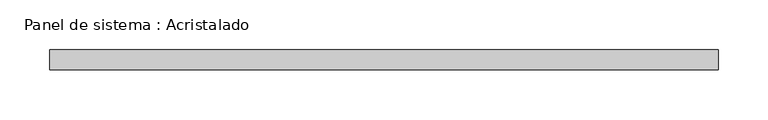
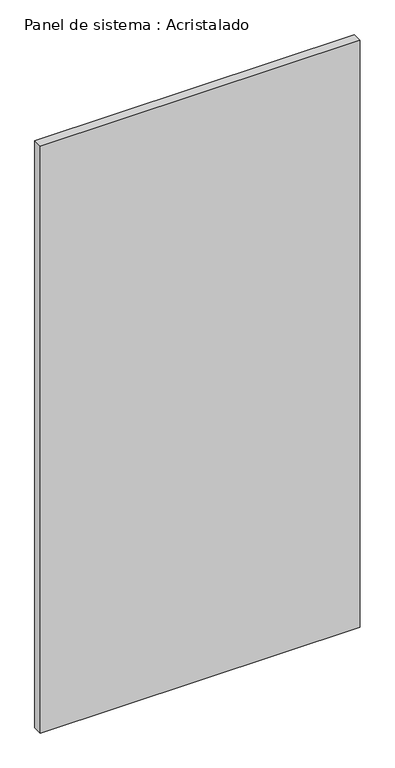
"""IFC4 building model written with IfcOpenShell, lengths in millimetres: plate geometry, Panel de sistema : Acristalado."""

import ifcopenshell
import ifcopenshell.guid

model = None  # the IFC model being written
_history = None  # IfcOwnerHistory: only IFC2X3 demands one
_inside = {}  # id of a spatial element -> (the spatial element, [elements in it])
_under = {}  # id of a project, library or spatial element -> (it, [spatial elements below it])
_declared = {}  # id of a project -> (the project, [libraries it declares])
_typed = {}  # id of a type object -> (the type object, [elements of that type])
_made_of = {}  # id of a material, layer set ... -> (it, [elements and type objects made of it])


def new_model(schema):
    """Start an empty IFC model of exactly this schema.

    Asked for "IFC4X3", IfcOpenShell would pick the latest addendum, in which some entities
    have other attributes; the version numbers below select the first issue.
    IFC2X3 requires an IfcOwnerHistory on every rooted entity: one is made here for all.
    """
    global model, _history
    if schema == "IFC4X3":
        model = ifcopenshell.file(schema_version=(4, 3, 0, 0))
    else:
        model = ifcopenshell.file(schema=schema)
    _inside.clear()
    _under.clear()
    _declared.clear()
    _typed.clear()
    _made_of.clear()
    _history = None
    if model.schema == "IFC2X3":
        org = make("IfcOrganization", Name="unknown")
        user = make(
            "IfcPersonAndOrganization",
            ThePerson=make("IfcPerson", FamilyName="unknown"),
            TheOrganization=org,
        )
        app = make(
            "IfcApplication",
            ApplicationDeveloper=org,
            Version="unknown",
            ApplicationFullName="unknown",
            ApplicationIdentifier="unknown",
        )
        _history = make(
            "IfcOwnerHistory",
            OwningUser=user,
            OwningApplication=app,
            ChangeAction="ADDED",
            CreationDate=0,
        )
    return model


def make(cls, **values):
    """One entity of the class cls with the attributes given. An attribute that is None is left unset."""
    return model.create_entity(
        cls, **{name: value for name, value in values.items() if value is not None}
    )


def rooted(cls, **values):
    """An entity with a GlobalId (a new one), such as an element, a storey or a relation."""
    return make(cls, GlobalId=ifcopenshell.guid.new(), OwnerHistory=_history, **values)


def si_unit(unit_type, name, prefix=None):
    """IfcSIUnit, for example si_unit("LENGTHUNIT", "METRE", prefix="MILLI")."""
    return make("IfcSIUnit", UnitType=unit_type, Prefix=prefix, Name=name)


def assignment(units):
    """IfcUnitAssignment: the units of a project."""
    return None if units is None else make("IfcUnitAssignment", Units=units)


def point(xyz):
    """IfcCartesianPoint."""
    return None if xyz is None else make("IfcCartesianPoint", Coordinates=xyz)


def direction(xyz):
    """IfcDirection."""
    return None if xyz is None else make("IfcDirection", DirectionRatios=xyz)


def frame(location, z_axis=None, x_axis=None):
    """IfcAxis2Placement3D, a coordinate frame: its origin and axes. An axis left out is left unset."""
    return make(
        "IfcAxis2Placement3D",
        Location=point(location),
        Axis=direction(z_axis),
        RefDirection=direction(x_axis),
    )


def origin():
    """The frame at (0, 0, 0) with its axes left unset."""
    return frame((0.0, 0.0, 0.0))


def origin_with_axes():
    """The frame at (0, 0, 0) with the z axis (0, 0, 1) and the x axis (1, 0, 0) written out."""
    return frame((0.0, 0.0, 0.0), z_axis=(0.0, 0.0, 1.0), x_axis=(1.0, 0.0, 0.0))


def place(relative_to, where):
    """IfcLocalPlacement: puts the frame where relative to a parent placement (None: the world)."""
    return make(
        "IfcLocalPlacement", PlacementRelTo=relative_to, RelativePlacement=where
    )


def context(
    kind, dimensions, precision=None, world=None, true_north=None, identifier=None
):
    """IfcGeometricRepresentationContext, for example the 3D "Model" context."""
    return make(
        "IfcGeometricRepresentationContext",
        ContextIdentifier=identifier,
        ContextType=kind,
        CoordinateSpaceDimension=dimensions,
        Precision=precision,
        WorldCoordinateSystem=world,
        TrueNorth=true_north,
    )


def project(units=None, contexts=None):
    """IfcProject with its units and contexts."""
    return rooted(
        "IfcProject",
        Name="project",
        RepresentationContexts=contexts,
        UnitsInContext=assignment(units),
    )


def spatial(cls, under=None, at=None, **own):
    """A site, building, storey or space (cls), placed at a placement, below another one or the project."""
    s = rooted(cls, ObjectPlacement=at, **own)
    if under is not None:
        _under.setdefault(under.id(), (under, []))[1].append(s)
    return s


def polyline(points):
    """IfcPolyline through the points."""
    return make("IfcPolyline", Points=[point(p) for p in points])


def outline(outer, holes=None, kind="AREA"):
    """IfcArbitraryClosedProfileDef: a profile drawn as a closed curve; with holes, ...WithVoids."""
    if holes is None:
        return make("IfcArbitraryClosedProfileDef", ProfileType=kind, OuterCurve=outer)
    return make(
        "IfcArbitraryProfileDefWithVoids",
        ProfileType=kind,
        OuterCurve=outer,
        InnerCurves=holes,
    )


def extrude(swept, where, along, depth):
    """IfcExtrudedAreaSolid: the profile swept, set in the frame where, extruded along a direction by depth."""
    return make(
        "IfcExtrudedAreaSolid",
        SweptArea=swept,
        Position=where,
        ExtrudedDirection=direction(along),
        Depth=depth,
    )


def shape(context_of_items, identifier, shape_type, items):
    """IfcShapeRepresentation: the items that make up one representation, for example the "Body"."""
    return make(
        "IfcShapeRepresentation",
        ContextOfItems=context_of_items,
        RepresentationIdentifier=identifier,
        RepresentationType=shape_type,
        Items=items,
    )


def source(mapping_origin, context_of_items, identifier, shape_type, items):
    """IfcRepresentationMap: a shape defined once, which mapped items show again and again."""
    return make(
        "IfcRepresentationMap",
        MappingOrigin=mapping_origin,
        MappedRepresentation=shape(context_of_items, identifier, shape_type, items),
    )


def transform(
    local_origin,
    x_axis=None,
    y_axis=None,
    z_axis=None,
    scale=None,
    scale2=None,
    scale3=None,
    uniform=True,
):
    """IfcCartesianTransformationOperator3D, or its non-uniform kind. x_axis, y_axis, z_axis: its Axis1, 2, 3."""
    if uniform:
        return make(
            "IfcCartesianTransformationOperator3D",
            Axis1=direction(x_axis),
            Axis2=direction(y_axis),
            LocalOrigin=point(local_origin),
            Scale=scale,
            Axis3=direction(z_axis),
        )
    return make(
        "IfcCartesianTransformationOperator3DnonUniform",
        Axis1=direction(x_axis),
        Axis2=direction(y_axis),
        LocalOrigin=point(local_origin),
        Scale=scale,
        Axis3=direction(z_axis),
        Scale2=scale2,
        Scale3=scale3,
    )


def mapped(mapping_source, mapping_target):
    """IfcMappedItem: shows the shape of a source again, moved by a transform."""
    return make(
        "IfcMappedItem", MappingSource=mapping_source, MappingTarget=mapping_target
    )


def made_of(thing, what):
    """Note that an element or type object is made of a material, layer set ...; save() writes the relation."""
    if what is not None:
        _made_of.setdefault(what.id(), (what, []))[1].append(thing)
    return thing


def element(
    cls,
    number,
    at=None,
    inside=None,
    cuts=None,
    type_object=None,
    material=None,
    context=None,
    identifier="Body",
    shape_type=None,
    held_by="IfcProductDefinitionShape",
    body=None,
    shapes=None,
    **own,
):
    """One element of the class cls, such as IfcWall. Its Tag is "e" and its number.

    at: its placement. inside: the storey or other place that contains it. cuts: it is an
    opening in that element (IfcRelVoidsElement). A single representation is given by context,
    identifier, shape_type and body (its items); several are given by shapes. held_by: the class
    of the entity that holds the representations. save() writes the other relations.
    """
    e = rooted(cls, Tag="e%d" % number, ObjectPlacement=at, **own)
    if body is not None:
        shapes = [shape(context, identifier, shape_type, body)]
    if shapes is not None:
        e.Representation = make(held_by, Representations=shapes)
    if inside is not None:
        _inside.setdefault(inside.id(), (inside, []))[1].append(e)
    if cuts is not None:
        rooted(
            "IfcRelVoidsElement", RelatingBuildingElement=cuts, RelatedOpeningElement=e
        )
    if type_object is not None:
        _typed.setdefault(type_object.id(), (type_object, []))[1].append(e)
    return made_of(e, material)


def aggregate(whole, parts):
    """IfcRelAggregates: a whole, such as a stair, and the parts it consists of."""
    return rooted("IfcRelAggregates", RelatingObject=whole, RelatedObjects=parts)


def save(model, path):
    """Write the relations noted so far, then the file.

    IfcRelAggregates (storeys below a building ...), IfcRelContainedInSpatialStructure (elements
    in a storey), IfcRelDefinesByType, IfcRelAssociatesMaterial and IfcRelDeclares: one each for
    every whole, place, type object, material and project.
    """
    for whole, parts in _under.values():
        aggregate(whole, parts)
    for where, things in _inside.values():
        rooted(
            "IfcRelContainedInSpatialStructure",
            RelatedElements=things,
            RelatingStructure=where,
        )
    for kind, things in _typed.values():
        rooted("IfcRelDefinesByType", RelatedObjects=things, RelatingType=kind)
    for what, things in _made_of.values():
        rooted("IfcRelAssociatesMaterial", RelatedObjects=things, RelatingMaterial=what)
    for by, libraries in _declared.values():
        rooted("IfcRelDeclares", RelatingContext=by, RelatedDefinitions=libraries)
    model.write(path)


def panel_de_sistema_acristalado_8cf281a6(model_context):
    return source(origin(), model_context, "Body", "SweptSolid", [
        extrude(outline(polyline([(335.0394953, -10.0), (-335.0394953, -10.0), (-335.0394953, 10.0), (335.0394953, 10.0), (335.0394953, -10.0)])), origin_with_axes(), (0.0, 0.0, 1.0), 1300.0),
    ])


if __name__ == "__main__":
    model = new_model("IFC4")
    model_context = context("Model", 3, world=origin())
    ifc_project = project(units=[si_unit("LENGTHUNIT", "METRE", prefix="MILLI")], contexts=[model_context])
    site = spatial("IfcSite", under=ifc_project)
    building = spatial("IfcBuilding", under=site)
    placement = place(None, origin())
    panel_de_sistema_acristalado_shape = panel_de_sistema_acristalado_8cf281a6(model_context)
    element("IfcPlate", 1, ObjectType="Panel de sistema : Acristalado", at=placement, inside=building, context=model_context, shape_type="MappedRepresentation", body=[
        mapped(panel_de_sistema_acristalado_shape, transform((0.0, 0.0, 0.0), x_axis=(1.0, 0.0, 0.0), y_axis=(0.0, 1.0, 0.0), z_axis=(0.0, 0.0, 1.0))),
    ])
    save(model, "model.ifc")
